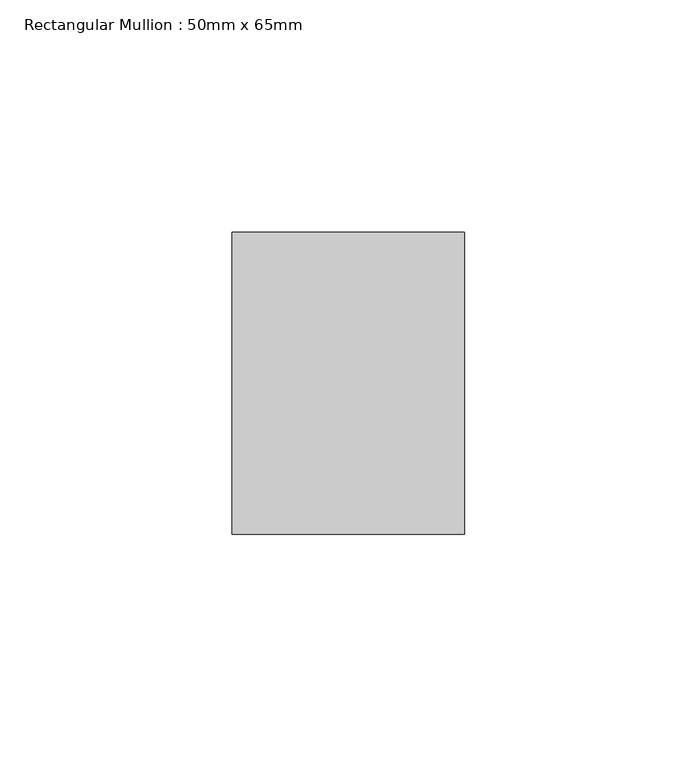
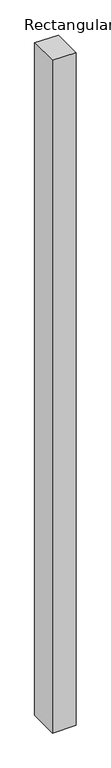
"""IFC4 building model written with IfcOpenShell, lengths in millimetres: member geometry, Rectangular Mullion : 50mm x 65mm."""

from ifc_helpers import new_model, si_unit, origin, place, context, project, spatial, faceted_brep, source, transform, mapped, element, save


def rectangular_mullion_50mm_x_65mm_4fa11774(model_context):
    return source(origin(), model_context, "Body", "Brep", [
        faceted_brep([(-25.0, 32.5, -0.1835726), (25.0, 32.5, -0.1835729), (25.0, 32.5, -1499.7333662), (-25.0, 32.5, -1499.7333667), (-25.0, -32.5, 0.1835729), (-25.0, -32.5, -1500.2662634), (25.0, -32.5, 0.1835726), (25.0, -32.5, -1500.266263)], [[[0, 1, 2, 3]], [[4, 0, 3, 5]], [[6, 4, 5, 7]], [[1, 6, 7, 2]], [[1, 0, 4, 6]], [[2, 7, 5, 3]]]),
    ])


if __name__ == "__main__":
    model = new_model("IFC4")
    model_context = context("Model", 3, world=origin())
    ifc_project = project(units=[si_unit("LENGTHUNIT", "METRE", prefix="MILLI")], contexts=[model_context])
    site = spatial("IfcSite", under=ifc_project)
    building = spatial("IfcBuilding", under=site)
    placement = place(None, origin())
    rectangular_mullion_50mm_x_65mm_shape = rectangular_mullion_50mm_x_65mm_4fa11774(model_context)
    element("IfcMember", 1, ObjectType="Rectangular Mullion : 50mm x 65mm", at=placement, inside=building, context=model_context, shape_type="MappedRepresentation", body=[
        mapped(rectangular_mullion_50mm_x_65mm_shape, transform((0.0, 0.0, 0.0), x_axis=(1.0, 0.0, 0.0), y_axis=(0.0, 1.0, 0.0), z_axis=(0.0, 0.0, 1.0))),
    ])
    save(model, "model.ifc")
